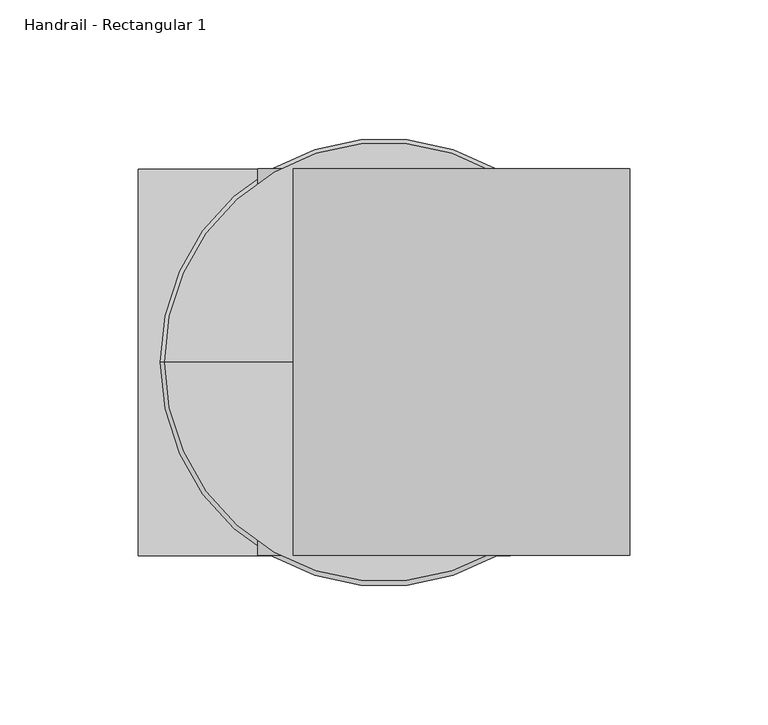
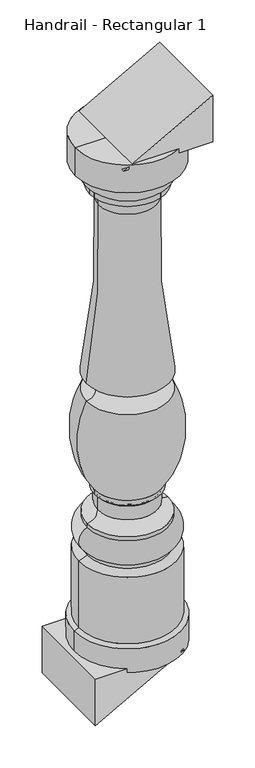
"""IFC4 building model written with IfcOpenShell, lengths in millimetres: railing geometry, Handrail - Rectangular 1."""

import ifcopenshell
import ifcopenshell.guid

model = None  # the IFC model being written
_history = None  # IfcOwnerHistory: only IFC2X3 demands one
_inside = {}  # id of a spatial element -> (the spatial element, [elements in it])
_under = {}  # id of a project, library or spatial element -> (it, [spatial elements below it])
_declared = {}  # id of a project -> (the project, [libraries it declares])
_typed = {}  # id of a type object -> (the type object, [elements of that type])
_made_of = {}  # id of a material, layer set ... -> (it, [elements and type objects made of it])


def new_model(schema):
    """Start an empty IFC model of exactly this schema.

    Asked for "IFC4X3", IfcOpenShell would pick the latest addendum, in which some entities
    have other attributes; the version numbers below select the first issue.
    IFC2X3 requires an IfcOwnerHistory on every rooted entity: one is made here for all.
    """
    global model, _history
    if schema == "IFC4X3":
        model = ifcopenshell.file(schema_version=(4, 3, 0, 0))
    else:
        model = ifcopenshell.file(schema=schema)
    _inside.clear()
    _under.clear()
    _declared.clear()
    _typed.clear()
    _made_of.clear()
    _history = None
    if model.schema == "IFC2X3":
        org = make("IfcOrganization", Name="unknown")
        user = make(
            "IfcPersonAndOrganization",
            ThePerson=make("IfcPerson", FamilyName="unknown"),
            TheOrganization=org,
        )
        app = make(
            "IfcApplication",
            ApplicationDeveloper=org,
            Version="unknown",
            ApplicationFullName="unknown",
            ApplicationIdentifier="unknown",
        )
        _history = make(
            "IfcOwnerHistory",
            OwningUser=user,
            OwningApplication=app,
            ChangeAction="ADDED",
            CreationDate=0,
        )
    return model


def make(cls, **values):
    """One entity of the class cls with the attributes given. An attribute that is None is left unset."""
    return model.create_entity(
        cls, **{name: value for name, value in values.items() if value is not None}
    )


def rooted(cls, **values):
    """An entity with a GlobalId (a new one), such as an element, a storey or a relation."""
    return make(cls, GlobalId=ifcopenshell.guid.new(), OwnerHistory=_history, **values)


def si_unit(unit_type, name, prefix=None):
    """IfcSIUnit, for example si_unit("LENGTHUNIT", "METRE", prefix="MILLI")."""
    return make("IfcSIUnit", UnitType=unit_type, Prefix=prefix, Name=name)


def assignment(units):
    """IfcUnitAssignment: the units of a project."""
    return None if units is None else make("IfcUnitAssignment", Units=units)


def point(xyz):
    """IfcCartesianPoint."""
    return None if xyz is None else make("IfcCartesianPoint", Coordinates=xyz)


def direction(xyz):
    """IfcDirection."""
    return None if xyz is None else make("IfcDirection", DirectionRatios=xyz)


def frame(location, z_axis=None, x_axis=None):
    """IfcAxis2Placement3D, a coordinate frame: its origin and axes. An axis left out is left unset."""
    return make(
        "IfcAxis2Placement3D",
        Location=point(location),
        Axis=direction(z_axis),
        RefDirection=direction(x_axis),
    )


def origin():
    """The frame at (0, 0, 0) with its axes left unset."""
    return frame((0.0, 0.0, 0.0))


def place(relative_to, where):
    """IfcLocalPlacement: puts the frame where relative to a parent placement (None: the world)."""
    return make(
        "IfcLocalPlacement", PlacementRelTo=relative_to, RelativePlacement=where
    )


def context(
    kind, dimensions, precision=None, world=None, true_north=None, identifier=None
):
    """IfcGeometricRepresentationContext, for example the 3D "Model" context."""
    return make(
        "IfcGeometricRepresentationContext",
        ContextIdentifier=identifier,
        ContextType=kind,
        CoordinateSpaceDimension=dimensions,
        Precision=precision,
        WorldCoordinateSystem=world,
        TrueNorth=true_north,
    )


def project(units=None, contexts=None):
    """IfcProject with its units and contexts."""
    return rooted(
        "IfcProject",
        Name="project",
        RepresentationContexts=contexts,
        UnitsInContext=assignment(units),
    )


def spatial(cls, under=None, at=None, **own):
    """A site, building, storey or space (cls), placed at a placement, below another one or the project."""
    s = rooted(cls, ObjectPlacement=at, **own)
    if under is not None:
        _under.setdefault(under.id(), (under, []))[1].append(s)
    return s


def polyline(points):
    """IfcPolyline through the points."""
    return make("IfcPolyline", Points=[point(p) for p in points])


def circle_curve(where, radius):
    """IfcCircle in the frame where."""
    return make("IfcCircle", Position=where, Radius=radius)


def ellipse_curve(where, semi_axis1, semi_axis2):
    """IfcEllipse in the frame where."""
    return make(
        "IfcEllipse", Position=where, SemiAxis1=semi_axis1, SemiAxis2=semi_axis2
    )


def trimmed(basis, trim1, trim2, sense, master):
    """IfcTrimmedCurve: the piece of a basis curve between two trims."""
    return make(
        "IfcTrimmedCurve",
        BasisCurve=basis,
        Trim1=trim1,
        Trim2=trim2,
        SenseAgreement=sense,
        MasterRepresentation=master,
    )


def outline(outer, holes=None, kind="AREA"):
    """IfcArbitraryClosedProfileDef: a profile drawn as a closed curve; with holes, ...WithVoids."""
    if holes is None:
        return make("IfcArbitraryClosedProfileDef", ProfileType=kind, OuterCurve=outer)
    return make(
        "IfcArbitraryProfileDefWithVoids",
        ProfileType=kind,
        OuterCurve=outer,
        InnerCurves=holes,
    )


def extrude(swept, where, along, depth):
    """IfcExtrudedAreaSolid: the profile swept, set in the frame where, extruded along a direction by depth."""
    return make(
        "IfcExtrudedAreaSolid",
        SweptArea=swept,
        Position=where,
        ExtrudedDirection=direction(along),
        Depth=depth,
    )


def shape(context_of_items, identifier, shape_type, items):
    """IfcShapeRepresentation: the items that make up one representation, for example the "Body"."""
    return make(
        "IfcShapeRepresentation",
        ContextOfItems=context_of_items,
        RepresentationIdentifier=identifier,
        RepresentationType=shape_type,
        Items=items,
    )


def source(mapping_origin, context_of_items, identifier, shape_type, items):
    """IfcRepresentationMap: a shape defined once, which mapped items show again and again."""
    return make(
        "IfcRepresentationMap",
        MappingOrigin=mapping_origin,
        MappedRepresentation=shape(context_of_items, identifier, shape_type, items),
    )


def transform(
    local_origin,
    x_axis=None,
    y_axis=None,
    z_axis=None,
    scale=None,
    scale2=None,
    scale3=None,
    uniform=True,
):
    """IfcCartesianTransformationOperator3D, or its non-uniform kind. x_axis, y_axis, z_axis: its Axis1, 2, 3."""
    if uniform:
        return make(
            "IfcCartesianTransformationOperator3D",
            Axis1=direction(x_axis),
            Axis2=direction(y_axis),
            LocalOrigin=point(local_origin),
            Scale=scale,
            Axis3=direction(z_axis),
        )
    return make(
        "IfcCartesianTransformationOperator3DnonUniform",
        Axis1=direction(x_axis),
        Axis2=direction(y_axis),
        LocalOrigin=point(local_origin),
        Scale=scale,
        Axis3=direction(z_axis),
        Scale2=scale2,
        Scale3=scale3,
    )


def mapped(mapping_source, mapping_target):
    """IfcMappedItem: shows the shape of a source again, moved by a transform."""
    return make(
        "IfcMappedItem", MappingSource=mapping_source, MappingTarget=mapping_target
    )


def made_of(thing, what):
    """Note that an element or type object is made of a material, layer set ...; save() writes the relation."""
    if what is not None:
        _made_of.setdefault(what.id(), (what, []))[1].append(thing)
    return thing


def element(
    cls,
    number,
    at=None,
    inside=None,
    cuts=None,
    type_object=None,
    material=None,
    context=None,
    identifier="Body",
    shape_type=None,
    held_by="IfcProductDefinitionShape",
    body=None,
    shapes=None,
    **own,
):
    """One element of the class cls, such as IfcWall. Its Tag is "e" and its number.

    at: its placement. inside: the storey or other place that contains it. cuts: it is an
    opening in that element (IfcRelVoidsElement). A single representation is given by context,
    identifier, shape_type and body (its items); several are given by shapes. held_by: the class
    of the entity that holds the representations. save() writes the other relations.
    """
    e = rooted(cls, Tag="e%d" % number, ObjectPlacement=at, **own)
    if body is not None:
        shapes = [shape(context, identifier, shape_type, body)]
    if shapes is not None:
        e.Representation = make(held_by, Representations=shapes)
    if inside is not None:
        _inside.setdefault(inside.id(), (inside, []))[1].append(e)
    if cuts is not None:
        rooted(
            "IfcRelVoidsElement", RelatingBuildingElement=cuts, RelatedOpeningElement=e
        )
    if type_object is not None:
        _typed.setdefault(type_object.id(), (type_object, []))[1].append(e)
    return made_of(e, material)


def aggregate(whole, parts):
    """IfcRelAggregates: a whole, such as a stair, and the parts it consists of."""
    return rooted("IfcRelAggregates", RelatingObject=whole, RelatedObjects=parts)


def save(model, path):
    """Write the relations noted so far, then the file.

    IfcRelAggregates (storeys below a building ...), IfcRelContainedInSpatialStructure (elements
    in a storey), IfcRelDefinesByType, IfcRelAssociatesMaterial and IfcRelDeclares: one each for
    every whole, place, type object, material and project.
    """
    for whole, parts in _under.values():
        aggregate(whole, parts)
    for where, things in _inside.values():
        rooted(
            "IfcRelContainedInSpatialStructure",
            RelatedElements=things,
            RelatingStructure=where,
        )
    for kind, things in _typed.values():
        rooted("IfcRelDefinesByType", RelatedObjects=things, RelatingType=kind)
    for what, things in _made_of.values():
        rooted("IfcRelAssociatesMaterial", RelatedObjects=things, RelatingMaterial=what)
    for by, libraries in _declared.values():
        rooted("IfcRelDeclares", RelatingContext=by, RelatedDefinitions=libraries)
    model.write(path)


def plane_surface(at):
    """IfcPlane: the flat surface through the origin of the frame at, square to its z axis."""
    return make("IfcPlane", Position=at)


def cylinder_surface(at, radius):
    """IfcCylindricalSurface: all points at the distance radius from the z axis of the frame at."""
    return make("IfcCylindricalSurface", Position=at, Radius=radius)


def revolved_surface(curve, axis_point, axis_direction):
    """IfcSurfaceOfRevolution: the curve turned about the line through axis_point along axis_direction."""
    return make(
        "IfcSurfaceOfRevolution",
        SweptCurve=make("IfcArbitraryOpenProfileDef", ProfileType="CURVE", Curve=curve),
        AxisPosition=make("IfcAxis1Placement", Location=point(axis_point), Axis=direction(axis_direction)),
    )


def advanced_brep(points, edges, surfaces, faces):
    """IfcAdvancedBrep: a solid bounded by faces that lie on surfaces and meet in shared edges.

    An edge is (start, end): straight between two places in points (the first is 0);
    or (start, end, curve); or (start, end, curve, False) where it runs against its curve.
    A face is (place in surfaces, loops), or (place, loops, False) where it looks against
    its surface's normal. A loop lists edges by number (the first is 1), with a minus sign
    where the edge is run from its end to its start. The first loop is the outer one.
    """
    corners = [point(p) for p in points]
    vertices = [make("IfcVertexPoint", VertexGeometry=c) for c in corners]
    made = []
    for start, end, *more in edges:
        made.append(
            make(
                "IfcEdgeCurve",
                EdgeStart=vertices[start],
                EdgeEnd=vertices[end],
                EdgeGeometry=more[0] if more else make("IfcPolyline", Points=[corners[start], corners[end]]),
                SameSense=more[1] if len(more) > 1 else True,
            )
        )
    hull = []
    for where, loops, *sense in faces:
        bounds = []
        for j, loop in enumerate(loops):
            ring = [make("IfcOrientedEdge", EdgeElement=made[abs(k) - 1], Orientation=k > 0) for k in loop]
            bounds.append(
                make(
                    "IfcFaceOuterBound" if j == 0 else "IfcFaceBound",
                    Bound=make("IfcEdgeLoop", EdgeList=ring),
                    Orientation=True,
                )
            )
        hull.append(make("IfcAdvancedFace", Bounds=bounds, FaceSurface=surfaces[where], SameSense=sense[0] if sense else True))
    return make("IfcAdvancedBrep", Outer=make("IfcClosedShell", CfsFaces=hull))


def handrail_rectangular_1_9a5df555(model_context):
    return source(origin(), model_context, "Body", "SolidModel", [
        advanced_brep(
        [(3717.1527138, 4021.0919589, 1155.4224919), (3637.7777138, 4021.0919589, 1155.4224919), (3796.5277138, 4021.0919589, 1155.4224919), (3798.1152138, 4021.0919589, 342.6224919), (3636.1902138, 4021.0919589, 342.6224919), (3717.1527138, 4021.0919589, 342.6224919), (3798.1152138, 4021.0919589, 380.9010461), (3636.1902138, 4021.0919589, 380.9010461), (3790.9714638, 4021.0919589, 383.8974919), (3643.3339638, 4021.0919589, 383.8974919), (3790.9714638, 4021.0919589, 490.3560203), (3643.3339638, 4021.0919589, 490.3560203), (3778.2714638, 4021.0919589, 495.8162419), (3656.0339638, 4021.0919589, 495.8162419), (3778.2714638, 4021.0919589, 502.1662419), (3656.0339638, 4021.0919589, 502.1662419), (3778.2714638, 4021.0919589, 540.2662419), (3656.0339638, 4021.0919589, 540.2662419), (3778.2714638, 4021.0919589, 546.6162419), (3656.0339638, 4021.0919589, 546.6162419), (3762.5645677, 4021.0919589, 562.898651), (3671.7408598, 4021.0919589, 562.898651), (3762.5645677, 4021.0919589, 584.5131178), (3671.7408598, 4021.0919589, 584.5131178), (3767.1589638, 4021.0919589, 589.4787419), (3667.1464638, 4021.0919589, 589.4787419), (3767.1589638, 4021.0919589, 597.1067678), (3667.1464638, 4021.0919589, 597.1067678), (3779.8589638, 4021.0919589, 743.4662419), (3654.4464638, 4021.0919589, 743.4662419), (3779.8589638, 4021.0919589, 772.0412419), (3654.4464638, 4021.0919589, 772.0412419), (3761.3248619, 4021.0919589, 1051.7938525), (3672.9805656, 4021.0919589, 1051.7938525), (3774.3027138, 4021.0919589, 1073.6662419), (3660.0027138, 4021.0919589, 1073.6662419), (3774.3027138, 4021.0919589, 1082.3974919), (3660.0027138, 4021.0919589, 1082.3974919), (3785.4152138, 4021.0919589, 1107.7974919), (3648.8902138, 4021.0919589, 1107.7974919), (3796.5277138, 4021.0919589, 1110.9724919), (3637.7777138, 4021.0919589, 1110.9724919)],
        [
            (0, 1),
            (1, 2, circle_curve(frame((3717.1527138, 4021.0919589, 1155.4224919), z_axis=(0.0, 0.0, 1.0), x_axis=(-1.0, 0.0, 0.0)), 79.375)),
            (2, 0),
            (2, 1, circle_curve(frame((3717.1527138, 4021.0919589, 1155.4224919), z_axis=(0.0, 0.0, 1.0), x_axis=(-1.0, 0.0, 0.0)), 79.375)),
            (3, 4, circle_curve(frame((3717.1527138, 4021.0919589, 342.6224919), z_axis=(0.0, 0.0, -1.0), x_axis=(-1.0, 0.0, 0.0)), 80.9625)),
            (4, 5),
            (5, 3),
            (4, 3, circle_curve(frame((3717.1527138, 4021.0919589, 342.6224919), z_axis=(0.0, 0.0, -1.0), x_axis=(-1.0, 0.0, 0.0)), 80.9625)),
            (6, 7, circle_curve(frame((3717.1527138, 4021.0919589, 380.9010461), z_axis=(0.0, 0.0, -1.0), x_axis=(-1.0, 0.0, 0.0)), 80.9625)),
            (7, 4),
            (3, 6),
            (7, 6, circle_curve(frame((3717.1527138, 4021.0919589, 380.9010461), z_axis=(0.0, 0.0, -1.0), x_axis=(-1.0, 0.0, 0.0)), 80.9625)),
            (8, 9, circle_curve(frame((3717.1527138, 4021.0919589, 383.8974919), z_axis=(0.0, 0.0, -1.0), x_axis=(-1.0, 0.0, 0.0)), 73.81875)),
            (9, 7),
            (6, 8),
            (9, 8, circle_curve(frame((3717.1527138, 4021.0919589, 383.8974919), z_axis=(0.0, 0.0, -1.0), x_axis=(-1.0, 0.0, 0.0)), 73.81875)),
            (10, 11, circle_curve(frame((3717.1527138, 4021.0919589, 490.3560203), z_axis=(0.0, 0.0, -1.0), x_axis=(-1.0, 0.0, 0.0)), 73.81875)),
            (11, 9),
            (8, 10),
            (11, 10, circle_curve(frame((3717.1527138, 4021.0919589, 490.3560203), z_axis=(0.0, 0.0, -1.0), x_axis=(-1.0, 0.0, 0.0)), 73.81875)),
            (12, 13, circle_curve(frame((3717.1527138, 4021.0919589, 495.8162419), z_axis=(0.0, 0.0, -1.0), x_axis=(-1.0, 0.0, 0.0)), 61.11875)),
            (13, 11),
            (10, 12),
            (13, 12, circle_curve(frame((3717.1527138, 4021.0919589, 495.8162419), z_axis=(0.0, 0.0, -1.0), x_axis=(-1.0, 0.0, 0.0)), 61.11875)),
            (14, 15, circle_curve(frame((3717.1527138, 4021.0919589, 502.1662419), z_axis=(0.0, 0.0, -1.0), x_axis=(-1.0, 0.0, 0.0)), 61.11875)),
            (15, 13),
            (12, 14),
            (15, 14, circle_curve(frame((3717.1527138, 4021.0919589, 502.1662419), z_axis=(0.0, 0.0, -1.0), x_axis=(-1.0, 0.0, 0.0)), 61.11875)),
            (16, 17, circle_curve(frame((3717.1527138, 4021.0919589, 540.2662419), z_axis=(0.0, 0.0, -1.0), x_axis=(-1.0, 0.0, 0.0)), 61.11875)),
            (17, 15, circle_curve(frame((3664.299274, 4021.0919589, 521.2162419), z_axis=(0.0, -1.0, 0.0), x_axis=(1.0, 0.0, 0.0)), 20.7657856)),
            (14, 16, circle_curve(frame((3770.0061535, 4021.0919589, 521.2162419), z_axis=(0.0, -1.0, 0.0), x_axis=(-1.0, 0.0, 0.0)), 20.7657856)),
            (17, 16, circle_curve(frame((3717.1527138, 4021.0919589, 540.2662419), z_axis=(0.0, 0.0, -1.0), x_axis=(-1.0, 0.0, 0.0)), 61.11875)),
            (18, 19, circle_curve(frame((3717.1527138, 4021.0919589, 546.6162419), z_axis=(0.0, 0.0, -1.0), x_axis=(-1.0, 0.0, 0.0)), 61.11875)),
            (19, 17),
            (16, 18),
            (19, 18, circle_curve(frame((3717.1527138, 4021.0919589, 546.6162419), z_axis=(0.0, 0.0, -1.0), x_axis=(-1.0, 0.0, 0.0)), 61.11875)),
            (20, 21, circle_curve(frame((3717.1527138, 4021.0919589, 562.898651), z_axis=(0.0, 0.0, -1.0), x_axis=(-1.0, 0.0, 0.0)), 45.4118539)),
            (21, 19, circle_curve(frame((3656.5009363, 4021.0919589, 561.8828419), z_axis=(0.0, 1.0, 0.0), x_axis=(1.0, 0.0, 0.0)), 15.2737402)),
            (18, 20, circle_curve(frame((3777.8044912, 4021.0919589, 561.8828419), z_axis=(0.0, 1.0, 0.0), x_axis=(-1.0, 0.0, 0.0)), 15.2737402)),
            (21, 20, circle_curve(frame((3717.1527138, 4021.0919589, 562.898651), z_axis=(0.0, 0.0, -1.0), x_axis=(-1.0, 0.0, 0.0)), 45.4118539)),
            (22, 23, circle_curve(frame((3717.1527138, 4021.0919589, 584.5131178), z_axis=(0.0, 0.0, -1.0), x_axis=(-1.0, 0.0, 0.0)), 45.4118539)),
            (23, 21),
            (20, 22),
            (23, 22, circle_curve(frame((3717.1527138, 4021.0919589, 584.5131178), z_axis=(0.0, 0.0, -1.0), x_axis=(-1.0, 0.0, 0.0)), 45.4118539)),
            (24, 25, circle_curve(frame((3717.1527138, 4021.0919589, 589.4787419), z_axis=(0.0, 0.0, -1.0), x_axis=(-1.0, 0.0, 0.0)), 50.00625)),
            (25, 23, circle_curve(frame((3666.8946173, 4021.0919589, 584.6374509), z_axis=(0.0, 1.0, 0.0), x_axis=(1.0, 0.0, 0.0)), 4.8478372)),
            (22, 24, circle_curve(frame((3767.4108102, 4021.0919589, 584.6374509), z_axis=(0.0, 1.0, 0.0), x_axis=(-1.0, 0.0, 0.0)), 4.8478372)),
            (25, 24, circle_curve(frame((3717.1527138, 4021.0919589, 589.4787419), z_axis=(0.0, 0.0, -1.0), x_axis=(-1.0, 0.0, 0.0)), 50.00625)),
            (26, 27, circle_curve(frame((3717.1527138, 4021.0919589, 597.1067678), z_axis=(0.0, 0.0, -1.0), x_axis=(-1.0, 0.0, 0.0)), 50.00625)),
            (27, 25),
            (24, 26),
            (27, 26, circle_curve(frame((3717.1527138, 4021.0919589, 597.1067678), z_axis=(0.0, 0.0, -1.0), x_axis=(-1.0, 0.0, 0.0)), 50.00625)),
            (28, 29, circle_curve(frame((3717.1527138, 4021.0919589, 743.4662419), z_axis=(0.0, 0.0, -1.0), x_axis=(-1.0, 0.0, 0.0)), 62.70625)),
            (29, 27, circle_curve(frame((3784.7834448, 4021.0919589, 681.0451843), z_axis=(0.0, -1.0, 0.0), x_axis=(1.0, 0.0, 0.0)), 144.5133802)),
            (26, 28, circle_curve(frame((3649.5219827, 4021.0919589, 681.0451843), z_axis=(0.0, -1.0, 0.0), x_axis=(-1.0, 0.0, 0.0)), 144.5133802)),
            (29, 28, circle_curve(frame((3717.1527138, 4021.0919589, 743.4662419), z_axis=(0.0, 0.0, -1.0), x_axis=(-1.0, 0.0, 0.0)), 62.70625)),
            (30, 31, circle_curve(frame((3717.1527138, 4021.0919589, 772.0412419), z_axis=(0.0, 0.0, -1.0), x_axis=(-1.0, 0.0, 0.0)), 62.70625)),
            (31, 29, circle_curve(frame((3655.294587, 4021.0919589, 757.7537419), z_axis=(0.0, 1.0, 0.0), x_axis=(1.0, 0.0, 0.0)), 14.3126507)),
            (28, 30, circle_curve(frame((3779.0108405, 4021.0919589, 757.7537419), z_axis=(0.0, 1.0, 0.0), x_axis=(-1.0, 0.0, 0.0)), 14.3126507)),
            (31, 30, circle_curve(frame((3717.1527138, 4021.0919589, 772.0412419), z_axis=(0.0, 0.0, -1.0), x_axis=(-1.0, 0.0, 0.0)), 62.70625)),
            (32, 33, circle_curve(frame((3717.1527138, 4021.0919589, 1051.7938525), z_axis=(0.0, 0.0, -1.0), x_axis=(-1.0, 0.0, 0.0)), 44.1721482)),
            (33, 31, circle_curve(frame((2543.1612152, 4021.0919589, 986.1561053), z_axis=(0.0, 1.0, 0.0), x_axis=(1.0, 0.0, 0.0)), 1131.7243827)),
            (30, 32, circle_curve(frame((4891.1442123, 4021.0919589, 986.1561053), z_axis=(0.0, 1.0, 0.0), x_axis=(-1.0, 0.0, 0.0)), 1131.7243827)),
            (33, 32, circle_curve(frame((3717.1527138, 4021.0919589, 1051.7938525), z_axis=(0.0, 0.0, -1.0), x_axis=(-1.0, 0.0, 0.0)), 44.1721482)),
            (34, 35, circle_curve(frame((3717.1527138, 4021.0919589, 1073.6662419), z_axis=(0.0, 0.0, -1.0), x_axis=(-1.0, 0.0, 0.0)), 57.15)),
            (35, 33, circle_curve(frame((3651.9582609, 4021.0919589, 1054.1067536), z_axis=(0.0, 1.0, 0.0), x_axis=(1.0, 0.0, 0.0)), 21.1491562)),
            (32, 34, circle_curve(frame((3782.3471666, 4021.0919589, 1054.1067536), z_axis=(0.0, 1.0, 0.0), x_axis=(-1.0, 0.0, 0.0)), 21.1491562)),
            (35, 34, circle_curve(frame((3717.1527138, 4021.0919589, 1073.6662419), z_axis=(0.0, 0.0, -1.0), x_axis=(-1.0, 0.0, 0.0)), 57.15)),
            (36, 37, circle_curve(frame((3717.1527138, 4021.0919589, 1082.3974919), z_axis=(0.0, 0.0, -1.0), x_axis=(-1.0, 0.0, 0.0)), 57.15)),
            (37, 35),
            (34, 36),
            (37, 36, circle_curve(frame((3717.1527138, 4021.0919589, 1082.3974919), z_axis=(0.0, 0.0, -1.0), x_axis=(-1.0, 0.0, 0.0)), 57.15)),
            (38, 39, circle_curve(frame((3717.1527138, 4021.0919589, 1107.7974919), z_axis=(0.0, 0.0, -1.0), x_axis=(-1.0, 0.0, 0.0)), 68.2625)),
            (39, 37, circle_curve(frame((3678.2278186, 4021.0919589, 1105.5018347), z_axis=(0.0, -1.0, 0.0), x_axis=(1.0, 0.0, 0.0)), 29.4272849)),
            (36, 38, circle_curve(frame((3756.0776089, 4021.0919589, 1105.5018347), z_axis=(0.0, -1.0, 0.0), x_axis=(-1.0, 0.0, 0.0)), 29.4272849)),
            (39, 38, circle_curve(frame((3717.1527138, 4021.0919589, 1107.7974919), z_axis=(0.0, 0.0, -1.0), x_axis=(-1.0, 0.0, 0.0)), 68.2625)),
            (40, 41, circle_curve(frame((3717.1527138, 4021.0919589, 1110.9724919), z_axis=(0.0, 0.0, -1.0), x_axis=(-1.0, 0.0, 0.0)), 79.375)),
            (41, 39),
            (38, 40),
            (41, 40, circle_curve(frame((3717.1527138, 4021.0919589, 1110.9724919), z_axis=(0.0, 0.0, -1.0), x_axis=(-1.0, 0.0, 0.0)), 79.375)),
            (1, 41),
            (40, 2),
        ],
        [
            plane_surface(frame((3717.1527138, 4021.0919589, 1155.4224919), z_axis=(0.0, 0.0, 1.0), x_axis=(-1.0, 0.0, 0.0))),
            plane_surface(frame((3717.1527138, 4021.0919589, 342.6224919), z_axis=(0.0, 0.0, -1.0), x_axis=(-1.0, 0.0, 0.0))),
            cylinder_surface(frame((3717.1527138, 4021.0919589, 1225.2724919), z_axis=(0.0, 0.0, 1.0), x_axis=(-1.0, 0.0, 0.0)), 80.9625),
            revolved_surface(polyline([(3636.1902138, 4021.0919589, 380.9010461), (3643.3339638, 4021.0919589, 383.8974919)]), (3717.1527138, 4021.0919589, 1225.2724919), (0.0, 0.0, 1.0)),
            cylinder_surface(frame((3717.1527138, 4021.0919589, 1225.2724919), z_axis=(0.0, 0.0, 1.0), x_axis=(-1.0, 0.0, 0.0)), 73.81875),
            revolved_surface(polyline([(3643.3339638, 4021.0919589, 490.3560203), (3656.0339638, 4021.0919589, 495.8162419)]), (3717.1527138, 4021.0919589, 1225.2724919), (0.0, 0.0, 1.0)),
            cylinder_surface(frame((3717.1527138, 4021.0919589, 1225.2724919), z_axis=(0.0, 0.0, 1.0), x_axis=(-1.0, 0.0, 0.0)), 61.11875),
            revolved_surface(trimmed(ellipse_curve(frame((3664.299274, 4021.0919589, 521.2162419), z_axis=(0.0, 1.0, 0.0), x_axis=(1.0, 0.0, 0.0)), 20.7657856, 20.7657856), [point((3656.0339638, 4021.0919589, 502.1662419))], [point((3656.0339638, 4021.0919589, 540.2662419))], True, "CARTESIAN"), (3717.1527138, 4021.0919589, 1225.2724919), (0.0, 0.0, 1.0)),
            revolved_surface(trimmed(ellipse_curve(frame((3656.5009363, 4021.0919589, 561.8828419), z_axis=(0.0, -1.0, 0.0), x_axis=(1.0, 0.0, 0.0)), 15.2737402, 15.2737402), [point((3656.0339638, 4021.0919589, 546.6162419))], [point((3671.7408598, 4021.0919589, 562.898651))], True, "CARTESIAN"), (3717.1527138, 4021.0919589, 1225.2724919), (0.0, 0.0, 1.0)),
            cylinder_surface(frame((3717.1527138, 4021.0919589, 1225.2724919), z_axis=(0.0, 0.0, 1.0), x_axis=(-1.0, 0.0, 0.0)), 45.4118539),
            revolved_surface(trimmed(ellipse_curve(frame((3666.8946173, 4021.0919589, 584.6374509), z_axis=(0.0, -1.0, 0.0), x_axis=(1.0, 0.0, 0.0)), 4.8478372, 4.8478372), [point((3671.7408598, 4021.0919589, 584.5131178))], [point((3667.1464638, 4021.0919589, 589.4787419))], True, "CARTESIAN"), (3717.1527138, 4021.0919589, 1225.2724919), (0.0, 0.0, 1.0)),
            cylinder_surface(frame((3717.1527138, 4021.0919589, 1225.2724919), z_axis=(0.0, 0.0, 1.0), x_axis=(-1.0, 0.0, 0.0)), 50.00625),
            revolved_surface(trimmed(ellipse_curve(frame((3784.7834448, 4021.0919589, 681.0451843), z_axis=(0.0, 1.0, 0.0), x_axis=(1.0, 0.0, 0.0)), 144.5133802, 144.5133802), [point((3667.1464638, 4021.0919589, 597.1067678))], [point((3654.4464638, 4021.0919589, 743.4662419))], True, "CARTESIAN"), (3717.1527138, 4021.0919589, 1225.2724919), (0.0, 0.0, 1.0)),
            revolved_surface(trimmed(ellipse_curve(frame((3655.294587, 4021.0919589, 757.7537419), z_axis=(0.0, -1.0, 0.0), x_axis=(1.0, 0.0, 0.0)), 14.3126507, 14.3126507), [point((3654.4464638, 4021.0919589, 743.4662419))], [point((3654.4464638, 4021.0919589, 772.0412419))], True, "CARTESIAN"), (3717.1527138, 4021.0919589, 1225.2724919), (0.0, 0.0, 1.0)),
            revolved_surface(trimmed(ellipse_curve(frame((2543.1612152, 4021.0919589, 986.1561053), z_axis=(0.0, -1.0, 0.0), x_axis=(1.0, 0.0, 0.0)), 1131.7243827, 1131.7243827), [point((3654.4464638, 4021.0919589, 772.0412419))], [point((3672.9805656, 4021.0919589, 1051.7938525))], True, "CARTESIAN"), (3717.1527138, 4021.0919589, 1225.2724919), (0.0, 0.0, 1.0)),
            revolved_surface(trimmed(ellipse_curve(frame((3651.9582609, 4021.0919589, 1054.1067536), z_axis=(0.0, -1.0, 0.0), x_axis=(1.0, 0.0, 0.0)), 21.1491562, 21.1491562), [point((3672.9805656, 4021.0919589, 1051.7938525))], [point((3660.0027138, 4021.0919589, 1073.6662419))], True, "CARTESIAN"), (3717.1527138, 4021.0919589, 1225.2724919), (0.0, 0.0, 1.0)),
            cylinder_surface(frame((3717.1527138, 4021.0919589, 1225.2724919), z_axis=(0.0, 0.0, 1.0), x_axis=(-1.0, 0.0, 0.0)), 57.15),
            revolved_surface(trimmed(ellipse_curve(frame((3678.2278186, 4021.0919589, 1105.5018347), z_axis=(0.0, 1.0, 0.0), x_axis=(1.0, 0.0, 0.0)), 29.4272849, 29.4272849), [point((3660.0027138, 4021.0919589, 1082.3974919))], [point((3648.8902138, 4021.0919589, 1107.7974919))], True, "CARTESIAN"), (3717.1527138, 4021.0919589, 1225.2724919), (0.0, 0.0, 1.0)),
            revolved_surface(polyline([(3648.8902138, 4021.0919589, 1107.7974919), (3637.7777138, 4021.0919589, 1110.9724919)]), (3717.1527138, 4021.0919589, 1225.2724919), (0.0, 0.0, 1.0)),
            cylinder_surface(frame((3717.1527138, 4021.0919589, 1225.2724919), z_axis=(0.0, 0.0, 1.0), x_axis=(-1.0, 0.0, 0.0)), 79.375),
        ],
        [
            (0, [[1, 2, 3]]),
            (0, [[-3, 4, -1]]),
            (1, [[5, 6, 7]]),
            (1, [[8, -7, -6]]),
            (2, [[9, 10, -5, 11]]),
            (2, [[12, -11, -8, -10]]),
            (3, [[13, 14, -9, 15]]),
            (3, [[16, -15, -12, -14]]),
            (4, [[17, 18, -13, 19]]),
            (4, [[20, -19, -16, -18]]),
            (5, [[21, 22, -17, 23]]),
            (5, [[24, -23, -20, -22]]),
            (6, [[25, 26, -21, 27]]),
            (6, [[28, -27, -24, -26]]),
            (7, [[29, 30, -25, 31]]),
            (7, [[32, -31, -28, -30]]),
            (6, [[33, 34, -29, 35]]),
            (6, [[36, -35, -32, -34]]),
            (8, [[37, 38, -33, 39]]),
            (8, [[40, -39, -36, -38]]),
            (9, [[41, 42, -37, 43]]),
            (9, [[44, -43, -40, -42]]),
            (10, [[45, 46, -41, 47]]),
            (10, [[48, -47, -44, -46]]),
            (11, [[49, 50, -45, 51]]),
            (11, [[52, -51, -48, -50]]),
            (12, [[53, 54, -49, 55]]),
            (12, [[56, -55, -52, -54]]),
            (13, [[57, 58, -53, 59]]),
            (13, [[60, -59, -56, -58]]),
            (14, [[61, 62, -57, 63]]),
            (14, [[64, -63, -60, -62]]),
            (15, [[65, 66, -61, 67]]),
            (15, [[68, -67, -64, -66]]),
            (16, [[69, 70, -65, 71]]),
            (16, [[72, -71, -68, -70]]),
            (17, [[73, 74, -69, 75]]),
            (17, [[76, -75, -72, -74]]),
            (18, [[77, 78, -73, 79]]),
            (18, [[80, -79, -76, -78]]),
            (19, [[-2, 81, -77, 82]]),
            (19, [[-4, -82, -80, -81]]),
        ],
    ),
        extrude(outline(polyline([(349.25, 3762.8727138), (349.25, 3628.2527138), (274.4611111, 3628.2527138), (349.25, 3762.8727138)])), frame((0.0, 3951.2419589, 0.0), z_axis=(0.0, 1.0, 0.0), x_axis=(0.0, 0.0, 1.0)), (0.0, 0.0, 1.0), 139.7),
        extrude(outline(polyline([(1148.7949839, 3671.4327138), (1148.7949839, 3806.0527138), (1223.5838728, 3806.0527138), (1148.7949839, 3671.4327138)])), frame((0.0, 3951.2419589, 0.0), z_axis=(0.0, 1.0, 0.0), x_axis=(0.0, 0.0, 1.0)), (0.0, 0.0, 1.0), 139.7),
    ])


if __name__ == "__main__":
    model = new_model("IFC4")
    model_context = context("Model", 3, world=origin())
    ifc_project = project(units=[si_unit("LENGTHUNIT", "METRE", prefix="MILLI")], contexts=[model_context])
    site = spatial("IfcSite", under=ifc_project)
    building = spatial("IfcBuilding", under=site)
    placement = place(None, origin())
    handrail_rectangular_1_shape = handrail_rectangular_1_9a5df555(model_context)
    element("IfcRailing", 1, ObjectType="Handrail - Rectangular 1", at=placement, inside=building, context=model_context, shape_type="MappedRepresentation", body=[
        mapped(handrail_rectangular_1_shape, transform((0.0, 0.0, 0.0), x_axis=(1.0, 0.0, 0.0), y_axis=(0.0, 1.0, 0.0), z_axis=(0.0, 0.0, 1.0))),
    ])
    save(model, "model.ifc")
